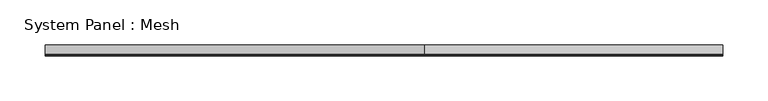
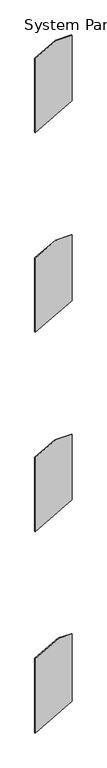
"""IFC4 building model written with IfcOpenShell, lengths in millimetres: plate geometry, System Panel : Mesh."""

from ifc_helpers import new_model, si_unit, frame, origin, place, context, project, spatial, polyline, outline, extrude, source, transform, mapped, element, save


def system_panel_mesh_78e0e1ef(model_context):
    return source(origin(), model_context, "Body", "SweptSolid", [
        extrude(outline(polyline([(0.0, -376.5259116), (420.4383628, 376.5259116), (1875.6577551, 376.5259116), (1875.6577551, 111.0811375), (1603.4205689, -376.5259116), (0.0, -376.5259116)])), frame((0.0, -5.0, 0.0), z_axis=(0.0, 1.0, 0.0), x_axis=(0.0, 0.0, 1.0)), (0.0, 0.0, 1.0), 10.0),
        extrude(outline(polyline([(4347.2458975, -376.5259116), (4765.0681994, 376.5259116), (6178.6577551, 376.5259116), (6178.6577551, 38.6515633), (5948.3012206, -376.5259116), (4347.2458975, -376.5259116)])), frame((0.0, -5.0, 0.0), z_axis=(0.0, 1.0, 0.0), x_axis=(0.0, 0.0, 1.0)), (0.0, 0.0, 1.0), 10.0),
        extrude(outline(polyline([(8647.2458975, -376.5259116), (9065.0681994, 376.5259116), (10482.6577551, 376.5259116), (10482.6577551, 45.8608657), (10248.3012206, -376.5259116), (8647.2458975, -376.5259116)])), frame((0.0, -5.0, 0.0), z_axis=(0.0, 1.0, 0.0), x_axis=(0.0, 0.0, 1.0)), (0.0, 0.0, 1.0), 10.0),
        extrude(outline(polyline([(12956.0757658, -376.5259116), (13374.8697474, 376.5259116), (14792.6577551, 376.5259116), (14792.6577551, 45.4075764), (14558.0082927, -376.5259116), (12956.0757658, -376.5259116)])), frame((0.0, -5.0, 0.0), z_axis=(0.0, 1.0, 0.0), x_axis=(0.0, 0.0, 1.0)), (0.0, 0.0, 1.0), 10.0),
    ])


if __name__ == "__main__":
    model = new_model("IFC4")
    model_context = context("Model", 3, world=origin())
    ifc_project = project(units=[si_unit("LENGTHUNIT", "METRE", prefix="MILLI")], contexts=[model_context])
    site = spatial("IfcSite", under=ifc_project)
    building = spatial("IfcBuilding", under=site)
    placement = place(None, origin())
    system_panel_mesh_shape = system_panel_mesh_78e0e1ef(model_context)
    element("IfcPlate", 1, ObjectType="System Panel : Mesh", at=placement, inside=building, context=model_context, shape_type="MappedRepresentation", body=[
        mapped(system_panel_mesh_shape, transform((0.0, 0.0, 0.0), x_axis=(1.0, 0.0, 0.0), y_axis=(0.0, 1.0, 0.0), z_axis=(0.0, 0.0, 1.0))),
    ])
    save(model, "model.ifc")
